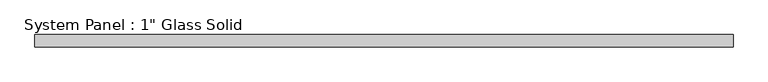
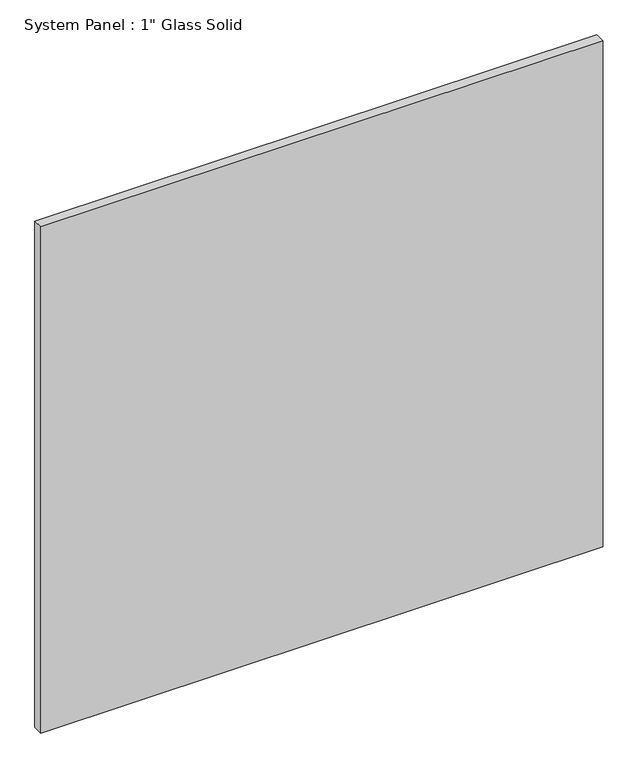
"""IFC4 building model written with IfcOpenShell, lengths in millimetres: plate geometry."""

from ifc_helpers import new_model, si_unit, origin, origin_with_axes, place, context, project, spatial, polyline, outline, extrude, source, transform, mapped, element, save


def plate_eba21cd7(model_context):
    return source(origin(), model_context, "Body", "SweptSolid", [
        extrude(outline(polyline([(715.4342185, -12.7), (-715.4342185, -12.7), (-715.4342185, 12.7), (715.4342185, 12.7), (715.4342185, -12.7)])), origin_with_axes(), (0.0, 0.0, 1.0), 1361.3311731),
    ])


if __name__ == "__main__":
    model = new_model("IFC4")
    model_context = context("Model", 3, world=origin())
    ifc_project = project(units=[si_unit("LENGTHUNIT", "METRE", prefix="MILLI")], contexts=[model_context])
    site = spatial("IfcSite", under=ifc_project)
    building = spatial("IfcBuilding", under=site)
    placement = place(None, origin())
    plate_shape = plate_eba21cd7(model_context)
    element("IfcPlate", 1, ObjectType="System Panel : 1\" Glass Solid", at=placement, inside=building, context=model_context, shape_type="MappedRepresentation", body=[
        mapped(plate_shape, transform((0.0, 0.0, 0.0), x_axis=(1.0, 0.0, 0.0), y_axis=(0.0, 1.0, 0.0), z_axis=(0.0, 0.0, 1.0))),
    ])
    save(model, "model.ifc")
